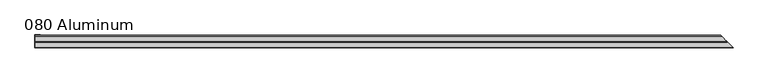
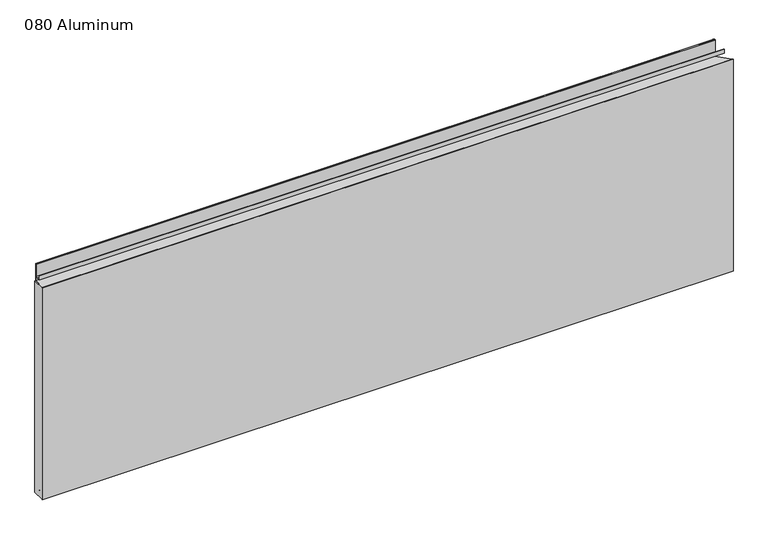
"""IFC4 building model written with IfcOpenShell, lengths in millimetres: plate geometry, 080 Aluminum."""

from ifc_helpers import new_model, si_unit, frame, origin, origin_with_axes, place, context, project, spatial, polyline, circle_curve, ellipse_curve, outline, extrude, source, transform, mapped, element, save
from ifc_brep_helpers import plane_surface, cylinder_surface, revolved_surface, advanced_brep


def plate_080_aluminum_bb0eb20b(model_context):
    return source(origin(), model_context, "Body", "SolidModel", [
        extrude(outline(polyline([(-919.4800002, -2.5660257), (-919.4800002, -34.7980001), (-920.7500001, -34.7980001), (-920.7500001, -1.2699999), (-906.5894996, -1.2699999), (-906.5894996, -2.5660257), (-919.4800002, -2.5660257)])), origin_with_axes(), (0.0, 0.0, 1.0), 608.33),
        advanced_brep(
        [(-919.4800002, -16.6765477, 13.1458337), (-919.4800002, -16.6765477, 2.786437), (-919.4800002, -17.9464915, 2.786437), (-919.4800002, -17.9464915, 13.1323356), (-919.4800002, -21.7564743, 13.124237), (-919.4800002, -21.7564743, 0.0), (-919.4800002, -34.7980002, 0.0), (-919.4800002, -34.7980002, 1.2693678), (-919.4800002, -23.0264743, 1.2693678), (-919.4800002, -23.0264743, 13.124237), (937.4265479, -16.6765477, 13.1458337), (937.4265479, -16.6765477, 2.786437), (938.6964916, -17.9464915, 2.786437), (938.6964916, -17.9464915, 13.1323356), (942.5064744, -21.7564743, 13.124237), (942.5064744, -21.7564743, 0.0), (955.5480002, -34.798, 0.0), (955.5480003, -34.7980002, 1.2693678), (943.7764744, -23.0264743, 1.2693678), (943.7764744, -23.0264743, 13.124237)],
        [
            (0, 1),
            (1, 2),
            (2, 3),
            (3, 4, circle_curve(frame((-919.4800002, -19.8514743, 13.124237), z_axis=(1.0, 0.0, 0.0), x_axis=(0.0, 0.0, -1.0)), 1.905)),
            (4, 5),
            (5, 6),
            (6, 7),
            (7, 8),
            (8, 9),
            (9, 0, circle_curve(frame((-919.4800002, -19.8514743, 13.124237), z_axis=(-1.0, 0.0, 0.0), x_axis=(0.0, 0.0, -1.0)), 3.175)),
            (0, 10),
            (10, 11),
            (11, 1),
            (11, 12),
            (12, 2),
            (12, 13),
            (13, 3),
            (13, 14, ellipse_curve(frame((940.6014744, -19.8514743, 13.124237), z_axis=(0.707106781186549, 0.7071067811865461, 0.0), x_axis=(0.7071067811865459, -0.707106781186549, 0.0)), 2.6940768, 1.905)),
            (14, 4),
            (14, 15),
            (15, 5),
            (15, 16),
            (16, 6),
            (16, 17),
            (17, 7),
            (17, 18),
            (18, 8),
            (18, 19),
            (19, 9),
            (19, 10, ellipse_curve(frame((940.6014744, -19.8514743, 13.124237), z_axis=(-0.707106781186549, -0.7071067811865461, 0.0), x_axis=(-0.7071067811865459, 0.707106781186549, 0.0)), 4.4901281, 3.175)),
        ],
        [
            plane_surface(frame((-919.4800002, -36.068, 0.0), z_axis=(-1.0, 0.0, 0.0), x_axis=(0.0, 0.0, 1.0))),
            plane_surface(frame((-919.4800002, -16.6765477, 13.1458337), z_axis=(0.0, 1.0, 0.0), x_axis=(1.0, 0.0, 0.0))),
            plane_surface(frame((-919.4800002, -16.6765477, 2.786437), z_axis=(0.0, 0.0, -1.0), x_axis=(1.0, 0.0, 0.0))),
            plane_surface(frame((-919.4800002, -17.9464915, 2.786437), z_axis=(0.0, -1.0, 0.0), x_axis=(1.0, 0.0, 0.0))),
            revolved_surface(polyline([(942.5064743999999, -19.8514743, 11.219237000000001), (-919.4800002, -19.8514743, 11.219237000000001)]), (-919.4800002, -19.8514743, 13.124237), (1.0, 0.0, 0.0)),
            plane_surface(frame((-919.4800002, -21.7564743, 13.124237), z_axis=(0.0, 1.0, 0.0), x_axis=(1.0, 0.0, 0.0))),
            plane_surface(frame((-919.4800002, -21.7564743, 0.0), z_axis=(0.0, 0.0, -1.0), x_axis=(1.0, 0.0, 0.0))),
            plane_surface(frame((-919.4800002, -34.7980002, 0.0), z_axis=(0.0, -1.0, 0.0), x_axis=(1.0, 0.0, 0.0))),
            plane_surface(frame((-919.4800002, -34.7980002, 1.2693678), z_axis=(0.0, 0.0, 1.0), x_axis=(1.0, 0.0, 0.0))),
            plane_surface(frame((-919.4800002, -23.0264743, 1.2693678), z_axis=(0.0, -1.0, 0.0), x_axis=(1.0, 0.0, 0.0))),
            cylinder_surface(frame((-919.4800002, -19.8514743, 13.124237), z_axis=(-1.0, 0.0, 0.0), x_axis=(0.0, 0.0, -1.0)), 3.175),
            plane_surface(frame((920.7500002, 0.0, 795.4549971), z_axis=(0.707106781186549, 0.7071067811865461, 0.0), x_axis=(0.0, 0.0, -1.0))),
        ],
        [
            (0, [[1, 2, 3, 4, 5, 6, 7, 8, 9, 10]]),
            (1, [[-1, 11, 12, 13]]),
            (2, [[-2, -13, 14, 15]]),
            (3, [[-3, -15, 16, 17]]),
            (4, [[-4, -17, 18, 19]]),
            (5, [[-5, -19, 20, 21]]),
            (6, [[-6, -21, 22, 23]]),
            (7, [[-7, -23, 24, 25]]),
            (8, [[-8, -25, 26, 27]]),
            (9, [[-9, -27, 28, 29]]),
            (10, [[-10, -29, 30, -11]]),
            (11, [[-12, -30, -28, -26, -24, -22, -20, -18, -16, -14]]),
        ],
    ),
        advanced_brep(
        [(-919.4800002, -2.0574743, 656.7932001), (-919.4800002, -2.0574743, 608.33), (-919.4800002, -34.7980002, 608.33), (-919.4800002, -34.7980002, 609.6000001), (-919.4800002, -3.3274743, 609.6000001), (-919.4800002, -3.3274743, 656.7932001), (-919.4800002, -4.0894742, 656.7932001), (-919.4800002, -4.0894742, 622.3), (-919.4800002, -20.4864742, 622.3), (-919.4800002, -20.4864742, 633.6538), (-919.4800002, -19.2164743, 633.6538), (-919.4800002, -19.2164743, 623.57), (-919.4800002, -5.3594742, 623.57), (-919.4800002, -5.3594742, 656.7932001), (922.8074744, -2.0574743, 656.7932001), (922.8074744, -2.0574743, 608.33), (955.5480002, -34.798, 608.33), (955.5480003, -34.7980002, 609.6000001), (924.0774744, -3.3274743, 609.6000001), (924.0774744, -3.3274743, 656.7932001), (924.8394743, -4.0894742, 656.7932001), (924.8394743, -4.0894742, 622.3), (941.2364744, -20.4864742, 622.3), (941.2364744, -20.4864742, 633.6538), (939.9664745, -19.2164743, 633.6538), (939.9664745, -19.2164743, 623.57), (926.1094743, -5.3594742, 623.57), (926.1094743, -5.3594742, 656.7932001)],
        [
            (0, 1),
            (1, 2),
            (2, 3),
            (3, 4),
            (4, 5),
            (5, 6, circle_curve(frame((-919.4800002, -3.7084742, 656.7932001), z_axis=(1.0, 0.0, 0.0), x_axis=(0.0, 0.0, -1.0)), 0.3809999)),
            (6, 7),
            (7, 8),
            (8, 9),
            (9, 10),
            (10, 11),
            (11, 12),
            (12, 13),
            (13, 0, circle_curve(frame((-919.4800002, -3.7084742, 656.7932001), z_axis=(-1.0, 0.0, 0.0), x_axis=(0.0, 0.0, -1.0)), 1.6509999)),
            (0, 14),
            (14, 15),
            (15, 1),
            (15, 16),
            (16, 2),
            (16, 17),
            (17, 3),
            (17, 18),
            (18, 4),
            (18, 19),
            (19, 5),
            (19, 20, ellipse_curve(frame((924.4584744, -3.7084742, 656.7932001), z_axis=(0.707106781186549, 0.7071067811865461, 0.0), x_axis=(0.7071067811865459, -0.707106781186549, 0.0)), 0.5388153, 0.3809999)),
            (20, 6),
            (20, 21),
            (21, 7),
            (21, 22),
            (22, 8),
            (22, 23),
            (23, 9),
            (23, 24),
            (24, 10),
            (24, 25),
            (25, 11),
            (25, 26),
            (26, 12),
            (26, 27),
            (27, 13),
            (27, 14, ellipse_curve(frame((924.4584744, -3.7084742, 656.7932001), z_axis=(-0.707106781186549, -0.7071067811865461, 0.0), x_axis=(-0.7071067811865459, 0.707106781186549, 0.0)), 2.3348665, 1.6509999)),
        ],
        [
            plane_surface(frame((-919.4800002, -36.068, 609.6), z_axis=(-1.0, 0.0, 0.0), x_axis=(0.0, 0.0, 1.0))),
            plane_surface(frame((-919.4800002, -2.0574743, 656.7932001), z_axis=(0.0, 1.0, 0.0), x_axis=(1.0, 0.0, 0.0))),
            plane_surface(frame((-919.4800002, -2.0574743, 608.33), z_axis=(0.0, 0.0, -1.0), x_axis=(1.0, 0.0, 0.0))),
            plane_surface(frame((-919.4800002, -34.7980002, 608.33), z_axis=(0.0, -1.0, 0.0), x_axis=(1.0, 0.0, 0.0))),
            plane_surface(frame((-919.4800002, -34.7980002, 609.6000001), z_axis=(0.0, 0.0, 1.0), x_axis=(1.0, 0.0, 0.0))),
            plane_surface(frame((-919.4800002, -3.3274743, 609.6000001), z_axis=(0.0, -1.0, 0.0), x_axis=(1.0, 0.0, 0.0))),
            revolved_surface(polyline([(924.8394743524373, -3.7084742, 656.4122002), (-919.4800002, -3.7084742, 656.4122002)]), (-919.4800002, -3.7084742, 656.7932001), (1.0, 0.0, 0.0)),
            plane_surface(frame((-919.4800002, -4.0894742, 656.7932001), z_axis=(0.0, 1.0, 0.0), x_axis=(1.0, 0.0, 0.0))),
            plane_surface(frame((-919.4800002, -4.0894742, 622.3), z_axis=(0.0, 0.0, -1.0), x_axis=(1.0, 0.0, 0.0))),
            plane_surface(frame((-919.4800002, -20.4864742, 622.3), z_axis=(0.0, -1.0, 0.0), x_axis=(1.0, 0.0, 0.0))),
            plane_surface(frame((-919.4800002, -20.4864742, 633.6538), z_axis=(0.0, 0.0, 1.0), x_axis=(1.0, 0.0, 0.0))),
            plane_surface(frame((-919.4800002, -19.2164743, 633.6538), z_axis=(0.0, 1.0, 0.0), x_axis=(1.0, 0.0, 0.0))),
            plane_surface(frame((-919.4800002, -19.2164743, 623.57), z_axis=(0.0, 0.0, 1.0), x_axis=(1.0, 0.0, 0.0))),
            plane_surface(frame((-919.4800002, -5.3594742, 623.57), z_axis=(0.0, -1.0, 0.0), x_axis=(1.0, 0.0, 0.0))),
            cylinder_surface(frame((-919.4800002, -3.7084742, 656.7932001), z_axis=(-1.0, 0.0, 0.0), x_axis=(0.0, 0.0, -1.0)), 1.6509999),
            plane_surface(frame((920.7500002, 0.0, 795.4549971), z_axis=(0.707106781186549, 0.7071067811865461, 0.0), x_axis=(0.0, 0.0, -1.0))),
        ],
        [
            (0, [[1, 2, 3, 4, 5, 6, 7, 8, 9, 10, 11, 12, 13, 14]]),
            (1, [[-1, 15, 16, 17]]),
            (2, [[-2, -17, 18, 19]]),
            (3, [[-3, -19, 20, 21]]),
            (4, [[-4, -21, 22, 23]]),
            (5, [[-5, -23, 24, 25]]),
            (6, [[-6, -25, 26, 27]]),
            (7, [[-7, -27, 28, 29]]),
            (8, [[-8, -29, 30, 31]]),
            (9, [[-9, -31, 32, 33]]),
            (10, [[-10, -33, 34, 35]]),
            (11, [[-11, -35, 36, 37]]),
            (12, [[-12, -37, 38, 39]]),
            (13, [[-13, -39, 40, 41]]),
            (14, [[-14, -41, 42, -15]]),
            (15, [[-16, -42, -40, -38, -36, -34, -32, -30, -28, -26, -24, -22, -20, -18]]),
        ],
    ),
        extrude(outline(polyline([(-920.7500002, -36.068), (-920.7500002, -34.7980001), (955.5480002, -34.7980001), (956.8180002, -36.068), (-920.7500002, -36.068)])), origin_with_axes(), (0.0, 0.0, 1.0), 609.6),
    ])


if __name__ == "__main__":
    model = new_model("IFC4")
    model_context = context("Model", 3, world=origin())
    ifc_project = project(units=[si_unit("LENGTHUNIT", "METRE", prefix="MILLI")], contexts=[model_context])
    site = spatial("IfcSite", under=ifc_project)
    building = spatial("IfcBuilding", under=site)
    placement = place(None, origin())
    plate_080_aluminum_shape = plate_080_aluminum_bb0eb20b(model_context)
    element("IfcPlate", 1, ObjectType="080 Aluminum", at=placement, inside=building, context=model_context, shape_type="MappedRepresentation", body=[
        mapped(plate_080_aluminum_shape, transform((0.0, 0.0, 0.0), x_axis=(1.0, 0.0, 0.0), y_axis=(0.0, 1.0, 0.0), z_axis=(0.0, 0.0, 1.0))),
    ])
    save(model, "model.ifc")
